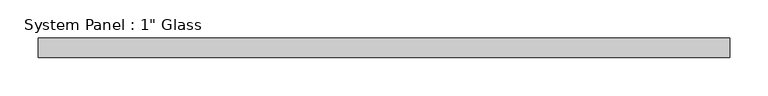
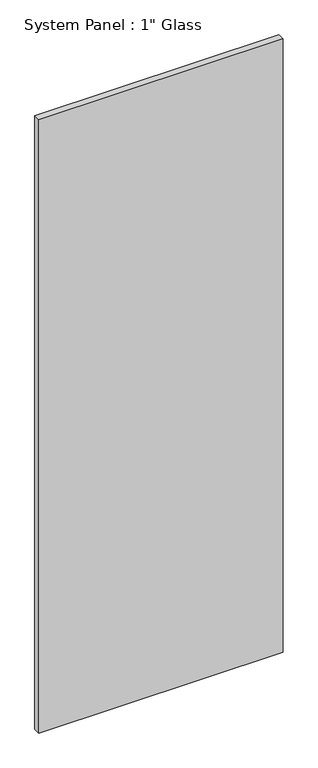
"""IFC4 building model written with IfcOpenShell, lengths in millimetres: plate geometry."""

from ifc_helpers import new_model, si_unit, origin, origin_with_axes, place, context, project, spatial, polyline, outline, extrude, source, transform, mapped, element, save


def plate_c59be65a(model_context):
    return source(origin(), model_context, "Body", "SweptSolid", [
        extrude(outline(polyline([(452.4375, -12.7), (-452.4375, -12.7), (-452.4375, 12.7), (452.4375, 12.7), (452.4375, -12.7)])), origin_with_axes(), (0.0, 0.0, 1.0), 2400.3),
    ])


if __name__ == "__main__":
    model = new_model("IFC4")
    model_context = context("Model", 3, world=origin())
    ifc_project = project(units=[si_unit("LENGTHUNIT", "METRE", prefix="MILLI")], contexts=[model_context])
    site = spatial("IfcSite", under=ifc_project)
    building = spatial("IfcBuilding", under=site)
    placement = place(None, origin())
    plate_shape = plate_c59be65a(model_context)
    element("IfcPlate", 1, ObjectType="System Panel : 1\" Glass", at=placement, inside=building, context=model_context, shape_type="MappedRepresentation", body=[
        mapped(plate_shape, transform((0.0, 0.0, 0.0), x_axis=(1.0, 0.0, 0.0), y_axis=(0.0, 1.0, 0.0), z_axis=(0.0, 0.0, 1.0))),
    ])
    save(model, "model.ifc")
